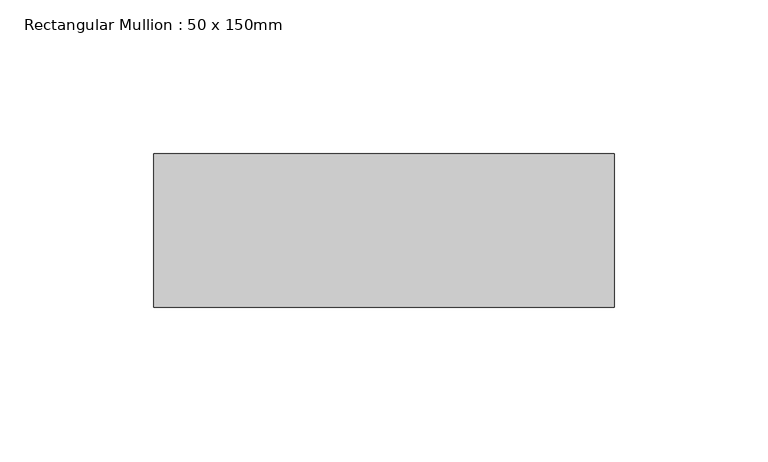
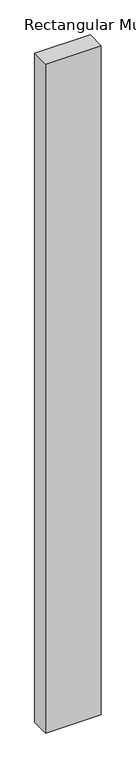
"""IFC4 building model written with IfcOpenShell, lengths in millimetres: member geometry, Rectangular Mullion : 50 x 150mm."""

from ifc_helpers import new_model, si_unit, frame, origin, place, context, project, spatial, polyline, outline, extrude, source, transform, mapped, element, save


def rectangular_mullion_50_x_150mm_871073e2(model_context):
    return source(origin(), model_context, "Body", "SweptSolid", [
        extrude(outline(polyline([(150.0, 50.0), (150.0, 0.0), (0.0, 0.0), (0.0, 50.0), (150.0, 50.0)])), frame((0.0, 0.0, -1903.0), z_axis=(0.0, 0.0, 1.0), x_axis=(1.0, 0.0, 0.0)), (0.0, 0.0, 1.0), 1903.0),
    ])


if __name__ == "__main__":
    model = new_model("IFC4")
    model_context = context("Model", 3, world=origin())
    ifc_project = project(units=[si_unit("LENGTHUNIT", "METRE", prefix="MILLI")], contexts=[model_context])
    site = spatial("IfcSite", under=ifc_project)
    building = spatial("IfcBuilding", under=site)
    placement = place(None, origin())
    rectangular_mullion_50_x_150mm_shape = rectangular_mullion_50_x_150mm_871073e2(model_context)
    element("IfcMember", 1, ObjectType="Rectangular Mullion : 50 x 150mm", at=placement, inside=building, context=model_context, shape_type="MappedRepresentation", body=[
        mapped(rectangular_mullion_50_x_150mm_shape, transform((0.0, 0.0, 0.0), x_axis=(1.0, 0.0, 0.0), y_axis=(0.0, 1.0, 0.0), z_axis=(0.0, 0.0, 1.0))),
    ])
    save(model, "model.ifc")
